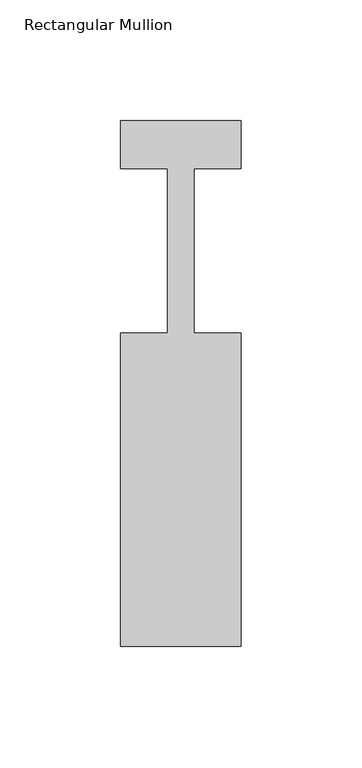
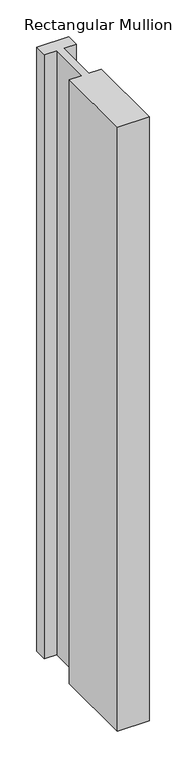
"""IFC4 building model written with IfcOpenShell, lengths in millimetres: member geometry, Rectangular Mullion."""

from ifc_helpers import new_model, si_unit, frame, origin, place, context, project, spatial, polyline, outline, extrude, source, transform, mapped, element, save


def rectangular_mullion_6335dcbc(model_context):
    return source(origin(), model_context, "Body", "SweptSolid", [
        extrude(outline(polyline([(-50.0, -162.0), (-50.0, -32.0), (-30.5, -32.0), (-30.5, 36.0), (-50.0, 36.0), (-50.0, 56.0), (0.0, 56.0), (0.0, 36.0), (-19.5000001, 36.0), (-19.5000001, -32.0), (0.0, -32.0), (0.0, -162.0), (-50.0, -162.0)])), frame((0.0, 0.0, -1000.0), z_axis=(0.0, 0.0, 1.0), x_axis=(1.0, 0.0, 0.0)), (0.0, 0.0, 1.0), 1000.0),
    ])


if __name__ == "__main__":
    model = new_model("IFC4")
    model_context = context("Model", 3, world=origin())
    ifc_project = project(units=[si_unit("LENGTHUNIT", "METRE", prefix="MILLI")], contexts=[model_context])
    site = spatial("IfcSite", under=ifc_project)
    building = spatial("IfcBuilding", under=site)
    placement = place(None, origin())
    rectangular_mullion_shape = rectangular_mullion_6335dcbc(model_context)
    element("IfcMember", 1, ObjectType="Rectangular Mullion", at=placement, inside=building, context=model_context, shape_type="MappedRepresentation", body=[
        mapped(rectangular_mullion_shape, transform((0.0, 0.0, 0.0), x_axis=(1.0, 0.0, 0.0), y_axis=(0.0, 1.0, 0.0), z_axis=(0.0, 0.0, 1.0))),
    ])
    save(model, "model.ifc")
